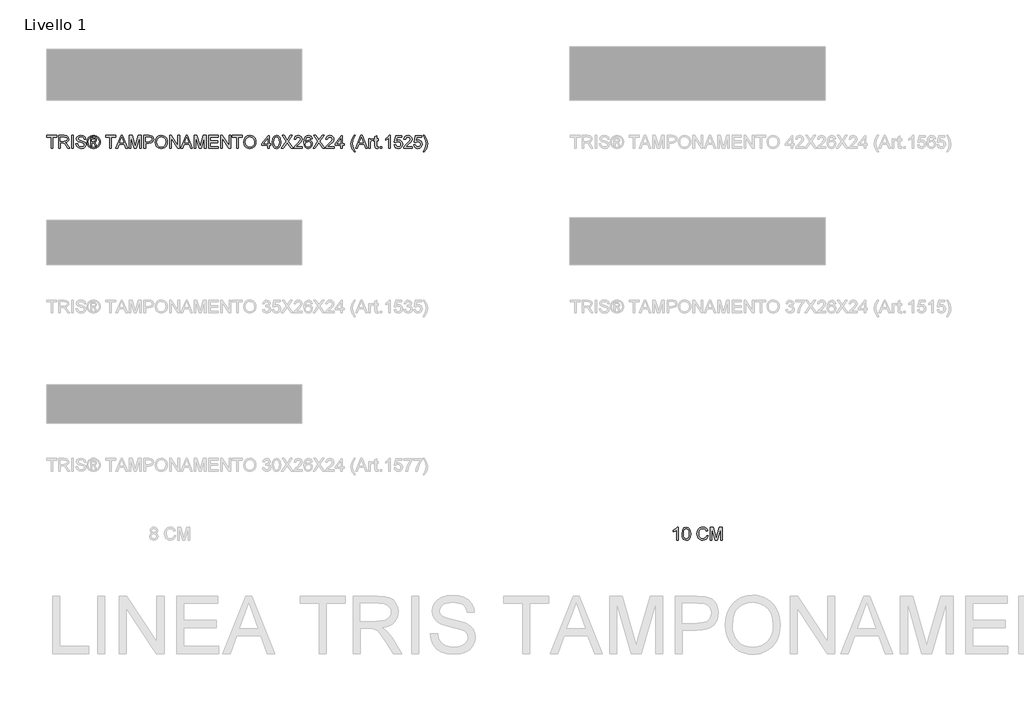
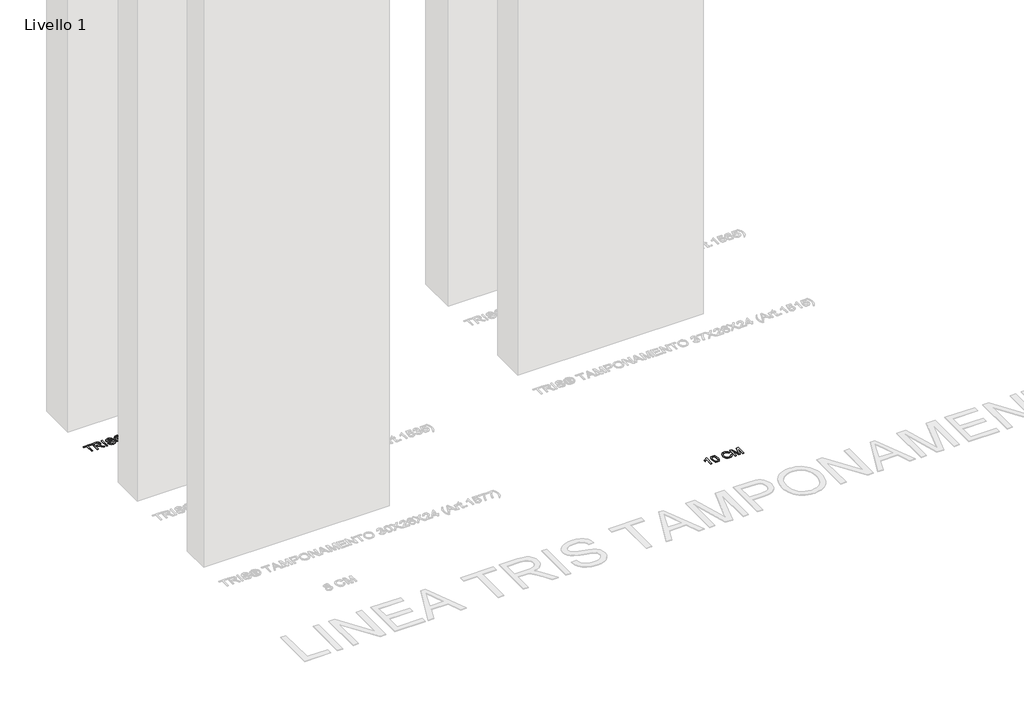
# One storey, part 10 of 16: 2 proxies.
"""IFC4 building model written with IfcOpenShell, lengths in millimetres."""

from ifc_helpers import new_model, si_unit, origin, origin_with_axes, place, context, project, spatial, polyline, outline, extrude, element, save

model = new_model("IFC4")

# Units and contexts
model_context = context("Model", 3, world=origin())
ifc_project = project(units=[si_unit("LENGTHUNIT", "METRE", prefix="MILLI")], contexts=[model_context])

# Site, building, storey
site = spatial("IfcSite", under=ifc_project)
building = spatial("IfcBuilding", under=site)
storey = spatial("IfcBuildingStorey", under=building, Name="Livello 1", Elevation=0.0)

# Proxies
placement = place(None, origin())
element("IfcBuildingElementProxy", 1, Name="100", ObjectType="100", at=placement, inside=storey, context=model_context, shape_type="SweptSolid", body=[
    extrude(outline(polyline([(-661.8210443, 4220.1409688), (-674.3780831, 4220.1409688), (-674.3780831, 4298.4262574), (-686.2729343, 4289.9527088), (-699.4921606, 4283.6128757), (-699.4921606, 4295.4832014), (-681.0857981, 4307.2308998), (-669.9144482, 4320.5972789), (-661.8210443, 4320.5972789), (-661.8210443, 4220.1409688)])), origin_with_axes(), (0.0, 0.0, 1.0), 5.0),
    extrude(outline(polyline([(-631.9980772, 4269.5597835), (-628.3069945, 4298.4630456), (-617.3441111, 4315.1281), (-599.0358505, 4320.5972789), (-584.3696216, 4317.3599174), (-574.240604, 4308.0279774), (-568.3544921, 4293.1655448), (-566.0736237, 4269.5597835), (-569.7279182, 4240.7791487), (-580.6540134, 4224.0773061), (-588.8853731, 4219.9478308), (-599.0358505, 4218.571339), (-612.0833986, 4220.9625719), (-621.991687, 4228.1362708), (-629.4964797, 4245.1262876), (-631.9980772, 4269.5597835)]), holes=[polyline([(-619.4410385, 4269.584309), (-617.9695105, 4249.8321115), (-613.5549265, 4238.4001785), (-606.9821016, 4232.9463279), (-599.0358505, 4231.1283777), (-591.0895994, 4232.9524593), (-584.5167744, 4238.424704), (-580.1021904, 4249.8627683), (-578.6306625, 4269.584309), (-580.0531395, 4288.8919823), (-584.3205707, 4300.4128201), (-590.8811329, 4306.1333852), (-599.1830033, 4308.0402402), (-607.0434152, 4306.3602457), (-613.3587228, 4301.3202624), (-617.9204595, 4289.0820547), (-619.4410385, 4269.584309)])]), origin_with_axes(), (0.0, 0.0, 1.0), 5.0),
    extrude(outline(polyline([(-440.503236, 4255.8500478), (-427.9461972, 4252.6126862), (-433.7403387, 4237.9801799), (-442.8331553, 4227.2901422), (-454.7770574, 4220.7510398), (-469.1244552, 4218.571339), (-483.6895166, 4220.2206766), (-495.2563396, 4225.1686894), (-504.1222957, 4233.2436992), (-510.5847561, 4244.2740277), (-515.8454686, 4271.1294133), (-514.3586122, 4285.7772481), (-509.898043, 4298.4262574), (-502.696753, 4308.6748366), (-492.987734, 4316.1213813), (-481.4730275, 4320.6555269), (-468.8546751, 4322.1669088), (-455.0866914, 4320.2110029), (-443.7038094, 4314.343285), (-435.0616482, 4304.925506), (-429.5158271, 4292.3194163), (-442.0728659, 4289.3273094), (-452.3735617, 4304.7660904), (-469.3451844, 4309.60987), (-488.990083, 4304.2387929), (-500.0878565, 4289.8178187), (-503.2884299, 4271.1539388), (-499.4992453, 4249.5224775), (-487.702496, 4235.7023772), (-470.375254, 4231.1283777), (-459.8936828, 4232.6857448), (-451.1595511, 4237.3578462), (-444.5652664, 4245.0956308), (-440.503236, 4255.8500478)])), origin_with_axes(), (0.0, 0.0, 1.0), 5.0),
    extrude(outline(polyline([(-410.6802689, 4220.1409688), (-410.6802689, 4320.5972789), (-389.0733331, 4320.5972789), (-368.5209923, 4249.7922576), (-364.3761885, 4235.0034014), (-359.8880281, 4251.0185309), (-339.6790439, 4320.5972789), (-318.072108, 4320.5972789), (-318.072108, 4220.1409688), (-330.6291468, 4220.1409688), (-330.6291468, 4308.0402402), (-355.8658516, 4220.1409688), (-372.8865253, 4220.1409688), (-398.1232302, 4308.0402402), (-398.1232302, 4220.1409688), (-410.6802689, 4220.1409688)])), origin_with_axes(), (0.0, 0.0, 1.0), 5.0),
])
element("IfcBuildingElementProxy", 2, Name="100", ObjectType="100", at=placement, inside=storey, context=model_context, shape_type="SweptSolid", body=[
    extrude(outline(polyline([(-5574.7353997, 7289.0708569), (-5574.7353997, 7376.9701283), (-5607.6976265, 7376.9701283), (-5607.6976265, 7389.527167), (-5529.2161342, 7389.527167), (-5529.2161342, 7376.9701283), (-5562.1783609, 7376.9701283), (-5562.1783609, 7289.0708569), (-5574.7353997, 7289.0708569)])), origin_with_axes(), (0.0, 0.0, 1.0), 5.0),
    extrude(outline(polyline([(-5515.0894655, 7289.0708569), (-5515.0894655, 7389.527167), (-5471.8020174, 7389.527167), (-5451.7033978, 7386.817103), (-5440.7159888, 7377.2276457), (-5436.6079732, 7362.0341193), (-5438.3094275, 7352.1380936), (-5443.4137901, 7343.9343251), (-5452.0743454, 7337.9194545), (-5464.4443775, 7334.5901224), (-5457.3074668, 7329.2190453), (-5447.1293983, 7316.2941245), (-5430.3785048, 7289.0708569), (-5444.9711573, 7289.0708569), (-5458.0432308, 7309.8929778), (-5467.4855354, 7323.6762899), (-5474.119674, 7330.1878012), (-5480.0916251, 7332.5790342), (-5487.3756886, 7333.0204926), (-5502.5324268, 7333.0204926), (-5502.5324268, 7289.0708569), (-5515.0894655, 7289.0708569)]), holes=[polyline([(-5502.5324268, 7345.5775314), (-5474.4262423, 7345.5775314), (-5460.0911073, 7347.3556277), (-5451.9486524, 7353.0455359), (-5449.165012, 7361.5681354), (-5454.4747755, 7372.6291207), (-5471.2624572, 7376.9701283), (-5502.5324268, 7376.9701283), (-5502.5324268, 7345.5775314)])]), origin_with_axes(), (0.0, 0.0, 1.0), 5.0),
    extrude(outline(polyline([(-5413.0635255, 7289.0708569), (-5413.0635255, 7389.527167), (-5400.5064868, 7389.527167), (-5400.5064868, 7289.0708569), (-5413.0635255, 7289.0708569)])), origin_with_axes(), (0.0, 0.0, 1.0), 5.0),
    extrude(outline(polyline([(-5380.1012988, 7323.6027135), (-5367.54426, 7323.6027135), (-5363.4975581, 7311.033412), (-5353.6137951, 7303.0871609), (-5338.5551588, 7300.0582658), (-5325.4340343, 7302.3513969), (-5316.9604857, 7308.6544418), (-5314.1768452, 7317.0789395), (-5316.2615099, 7324.914826), (-5324.7963722, 7330.6169969), (-5343.0801073, 7335.4117256), (-5362.7617941, 7341.6044058), (-5373.4426347, 7350.9486085), (-5376.9620391, 7363.4320709), (-5372.6087688, 7377.6445786), (-5359.8923145, 7387.6754943), (-5341.2774856, 7391.0967969), (-5321.4118578, 7387.5160788), (-5308.168106, 7376.9946537), (-5303.1894363, 7361.2738298), (-5315.7464751, 7361.2738298), (-5318.0518689, 7368.7663598), (-5322.8588603, 7374.1742251), (-5340.7869762, 7378.5397581), (-5358.7641431, 7374.2232761), (-5364.4050003, 7363.7999529), (-5360.4073493, 7355.0934123), (-5339.9040594, 7348.0791289), (-5317.6839869, 7341.7760841), (-5305.5316184, 7331.5980155), (-5301.6198065, 7317.3977705), (-5306.1202295, 7302.3759224), (-5319.0696758, 7291.4130389), (-5338.0646495, 7287.5012271), (-5360.4931884, 7291.7196073), (-5374.6811707, 7304.4237988), (-5380.1012988, 7323.6027135)])), origin_with_axes(), (0.0, 0.0, 1.0), 5.0),
    extrude(outline(polyline([(-5265.51832, 7307.9064151), (-5265.51832, 7370.6916089), (-5245.2357593, 7370.6916089), (-5230.177123, 7368.9625635), (-5222.7581694, 7362.9292988), (-5219.9990545, 7353.7690371), (-5224.7569949, 7341.8496605), (-5237.3630846, 7336.1597523), (-5232.4579914, 7332.8242889), (-5223.8986036, 7320.2917756), (-5216.8597948, 7307.9064151), (-5227.4547962, 7307.9064151), (-5232.9730262, 7317.8637544), (-5242.219127, 7332.2847286), (-5250.2389545, 7334.5901224), (-5256.1005409, 7334.5901224), (-5256.1005409, 7307.9064151), (-5265.51832, 7307.9064151)]), holes=[polyline([(-5256.1005409, 7344.0079015), (-5244.1811643, 7344.0079015), (-5232.5315678, 7346.3991345), (-5229.4168336, 7352.7389675), (-5230.912887, 7357.3007043), (-5235.0699535, 7360.2928112), (-5244.9414537, 7361.2738298), (-5256.1005409, 7361.2738298), (-5256.1005409, 7344.0079015)])]), origin_with_axes(), (0.0, 0.0, 1.0), 5.0),
    extrude(outline(polyline([(-5241.9493469, 7391.0967969), (-5229.0550829, 7389.4229338), (-5216.4673873, 7384.4013446), (-5205.4094677, 7376.2650211), (-5197.1045316, 7365.2469554), (-5191.9081985, 7352.5243697), (-5190.1760874, 7339.2744865), (-5191.883673, 7326.1410993), (-5197.0064298, 7313.5227468), (-5205.2101983, 7302.544535), (-5216.160819, 7294.3315694), (-5228.7699744, 7289.2088126), (-5241.9493469, 7287.5012271), (-5255.1103252, 7289.2088126), (-5267.7133492, 7294.3315694), (-5278.673167, 7302.544535), (-5286.9045267, 7313.5227468), (-5292.0548746, 7326.1410993), (-5293.7716572, 7339.2744865), (-5292.0303491, 7352.5243697), (-5286.8064248, 7365.2469554), (-5278.4738976, 7376.2650211), (-5267.4067809, 7384.4013446), (-5254.8252167, 7389.4229338), (-5241.9493469, 7391.0967969)]), holes=[polyline([(-5241.9493469, 7381.6790178), (-5262.7714678, 7376.1975761), (-5271.7999051, 7369.5358463), (-5278.6271818, 7360.5135404), (-5284.3538782, 7339.2744865), (-5278.7375464, 7318.2193737), (-5263.0167224, 7302.5353379), (-5241.9493469, 7296.9190061), (-5220.8697085, 7302.5353379), (-5205.1856728, 7318.2193737), (-5199.5938665, 7339.2744865), (-5205.2837747, 7360.5135404), (-5212.0926573, 7369.5358463), (-5221.1394887, 7376.1975761), (-5241.9493469, 7381.6790178)])]), origin_with_axes(), (0.0, 0.0, 1.0), 5.0),
    extrude(outline(polyline([(-5114.8338548, 7289.0708569), (-5114.8338548, 7376.9701283), (-5147.7960816, 7376.9701283), (-5147.7960816, 7389.527167), (-5069.3145893, 7389.527167), (-5069.3145893, 7376.9701283), (-5102.276816, 7376.9701283), (-5102.276816, 7289.0708569), (-5114.8338548, 7289.0708569)])), origin_with_axes(), (0.0, 0.0, 1.0), 5.0),
    extrude(outline(polyline([(-5066.8865681, 7289.0708569), (-5026.7874306, 7389.527167), (-5016.0943273, 7389.527167), (-4975.9951898, 7289.0708569), (-4989.2634671, 7289.0708569), (-5000.7659108, 7320.4634538), (-5042.1403725, 7320.4634538), (-5053.6182908, 7289.0708569), (-5066.8865681, 7289.0708569)]), holes=[polyline([(-5037.5295849, 7333.0204926), (-5005.352173, 7333.0204926), (-5014.4020701, 7357.7176372), (-5021.4408789, 7376.9701283), (-5027.6948729, 7359.8758782), (-5037.5295849, 7333.0204926)])]), origin_with_axes(), (0.0, 0.0, 1.0), 5.0),
    extrude(outline(polyline([(-4962.5797597, 7289.0708569), (-4962.5797597, 7389.527167), (-4940.9728239, 7389.527167), (-4920.4204831, 7318.7221457), (-4916.2756793, 7303.9332895), (-4911.7875189, 7319.948419), (-4891.5785346, 7389.527167), (-4869.9715988, 7389.527167), (-4869.9715988, 7289.0708569), (-4882.5286376, 7289.0708569), (-4882.5286376, 7376.9701283), (-4907.7653424, 7289.0708569), (-4924.7860161, 7289.0708569), (-4950.0227209, 7376.9701283), (-4950.0227209, 7289.0708569), (-4962.5797597, 7289.0708569)])), origin_with_axes(), (0.0, 0.0, 1.0), 5.0),
    extrude(outline(polyline([(-4847.996781, 7289.0708569), (-4847.996781, 7389.527167), (-4810.767123, 7389.527167), (-4795.7575376, 7388.5706739), (-4783.5561181, 7383.8740471), (-4775.6466552, 7374.1619624), (-4772.6545483, 7360.4644894), (-4774.6748336, 7348.6248206), (-4780.7356895, 7338.7594517), (-4792.0695206, 7332.1007876), (-4809.9087317, 7329.8812329), (-4835.4397422, 7329.8812329), (-4835.4397422, 7289.0708569), (-4847.996781, 7289.0708569)]), holes=[polyline([(-4835.4397422, 7342.4382717), (-4809.1729677, 7342.4382717), (-4790.6807661, 7347.0490593), (-4786.5788819, 7352.5979461), (-4785.2115871, 7360.023031), (-4788.4366859, 7370.4218288), (-4796.9102346, 7376.111737), (-4809.4672733, 7376.9701283), (-4835.4397422, 7376.9701283), (-4835.4397422, 7342.4382717)])]), origin_with_axes(), (0.0, 0.0, 1.0), 5.0),
    extrude(outline(polyline([(-4760.0975096, 7337.9746368), (-4756.7497834, 7360.1885779), (-4746.7066049, 7376.9946537), (-4731.3720571, 7387.5712611), (-4712.1502229, 7391.0967969), (-4698.9739161, 7389.4413279), (-4687.1587727, 7384.474921), (-4677.3485861, 7376.547064), (-4670.18715, 7366.0072448), (-4665.8093542, 7353.3643669), (-4664.350089, 7339.1273337), (-4665.8859963, 7324.7002281), (-4670.4937183, 7311.8795406), (-4677.9188032, 7301.3213273), (-4687.9067994, 7293.6816446), (-4699.6207752, 7289.0463314), (-4712.2237993, 7287.5012271), (-4725.6024412, 7289.2088126), (-4737.4850296, 7294.3315694), (-4747.2706907, 7302.4065792), (-4754.3585504, 7312.9709239), (-4760.0975096, 7337.9746368)]), holes=[polyline([(-4747.5404708, 7337.8520095), (-4745.0296762, 7322.1373169), (-4737.4972923, 7310.162758), (-4726.1757239, 7302.5843889), (-4712.2973757, 7300.0582658), (-4698.2166923, 7302.6089143), (-4686.8767298, 7310.2608598), (-4679.3995282, 7322.6033008), (-4676.9071277, 7339.2254356), (-4681.1745589, 7359.9494546), (-4693.6457585, 7373.6714531), (-4712.0766465, 7378.5397581), (-4725.5840471, 7376.1945104), (-4737.0680967, 7369.1587672), (-4744.9223773, 7356.6415824), (-4747.5404708, 7337.8520095)])]), origin_with_axes(), (0.0, 0.0, 1.0), 5.0),
    extrude(outline(polyline([(-4647.0841607, 7289.0708569), (-4647.0841607, 7389.527167), (-4633.6442051, 7389.527167), (-4581.1597071, 7309.9420288), (-4581.1597071, 7389.527167), (-4568.6026683, 7389.527167), (-4568.6026683, 7289.0708569), (-4582.0426239, 7289.0708569), (-4634.5271219, 7368.6805207), (-4634.5271219, 7289.0708569), (-4647.0841607, 7289.0708569)])), origin_with_axes(), (0.0, 0.0, 1.0), 5.0),
    extrude(outline(polyline([(-4558.326498, 7289.0708569), (-4518.2273605, 7389.527167), (-4507.5342571, 7389.527167), (-4467.4351197, 7289.0708569), (-4480.703397, 7289.0708569), (-4492.2058407, 7320.4634538), (-4533.5803024, 7320.4634538), (-4545.0582207, 7289.0708569), (-4558.326498, 7289.0708569)]), holes=[polyline([(-4528.9695147, 7333.0204926), (-4496.7921029, 7333.0204926), (-4505.842, 7357.7176372), (-4512.8808088, 7376.9701283), (-4519.1348027, 7359.8758782), (-4528.9695147, 7333.0204926)])]), origin_with_axes(), (0.0, 0.0, 1.0), 5.0),
    extrude(outline(polyline([(-4454.0196896, 7289.0708569), (-4454.0196896, 7389.527167), (-4432.4127537, 7389.527167), (-4411.8604129, 7318.7221457), (-4407.7156091, 7303.9332895), (-4403.2274488, 7319.948419), (-4383.0184645, 7389.527167), (-4361.4115287, 7389.527167), (-4361.4115287, 7289.0708569), (-4373.9685674, 7289.0708569), (-4373.9685674, 7376.9701283), (-4399.2052723, 7289.0708569), (-4416.2259459, 7289.0708569), (-4441.4626508, 7376.9701283), (-4441.4626508, 7289.0708569), (-4454.0196896, 7289.0708569)])), origin_with_axes(), (0.0, 0.0, 1.0), 5.0),
    extrude(outline(polyline([(-4339.4367108, 7289.0708569), (-4339.4367108, 7389.527167), (-4267.2337379, 7389.527167), (-4267.2337379, 7376.9701283), (-4326.8796721, 7376.9701283), (-4326.8796721, 7347.1471612), (-4270.3729976, 7347.1471612), (-4270.3729976, 7334.5901224), (-4326.8796721, 7334.5901224), (-4326.8796721, 7301.6278957), (-4265.6641081, 7301.6278957), (-4265.6641081, 7289.0708569), (-4339.4367108, 7289.0708569)])), origin_with_axes(), (0.0, 0.0, 1.0), 5.0),
    extrude(outline(polyline([(-4246.8285499, 7289.0708569), (-4246.8285499, 7389.527167), (-4233.3885943, 7389.527167), (-4180.9040964, 7309.9420288), (-4180.9040964, 7389.527167), (-4168.3470576, 7389.527167), (-4168.3470576, 7289.0708569), (-4181.7870132, 7289.0708569), (-4234.2715111, 7368.6805207), (-4234.2715111, 7289.0708569), (-4246.8285499, 7289.0708569)])), origin_with_axes(), (0.0, 0.0, 1.0), 5.0),
    extrude(outline(polyline([(-4121.2581622, 7289.0708569), (-4121.2581622, 7376.9701283), (-4154.220389, 7376.9701283), (-4154.220389, 7389.527167), (-4075.7388967, 7389.527167), (-4075.7388967, 7376.9701283), (-4108.7011234, 7376.9701283), (-4108.7011234, 7289.0708569), (-4121.2581622, 7289.0708569)])), origin_with_axes(), (0.0, 0.0, 1.0), 5.0),
    extrude(outline(polyline([(-4066.3211176, 7337.9746368), (-4062.9733914, 7360.1885779), (-4052.930213, 7376.9946537), (-4037.5956651, 7387.5712611), (-4018.3738309, 7391.0967969), (-4005.1975241, 7389.4413279), (-3993.3823807, 7384.474921), (-3983.5721942, 7376.547064), (-3976.410758, 7366.0072448), (-3972.0329622, 7353.3643669), (-3970.573697, 7339.1273337), (-3972.1096043, 7324.7002281), (-3976.7173263, 7311.8795406), (-3984.1424112, 7301.3213273), (-3994.1304074, 7293.6816446), (-4005.8443833, 7289.0463314), (-4018.4474073, 7287.5012271), (-4031.8260492, 7289.2088126), (-4043.7086376, 7294.3315694), (-4053.4942987, 7302.4065792), (-4060.5821585, 7312.9709239), (-4066.3211176, 7337.9746368)]), holes=[polyline([(-4053.7640788, 7337.8520095), (-4051.2532842, 7322.1373169), (-4043.7209004, 7310.162758), (-4032.399332, 7302.5843889), (-4018.5209837, 7300.0582658), (-4004.4403003, 7302.6089143), (-3993.1003378, 7310.2608598), (-3985.6231363, 7322.6033008), (-3983.1307358, 7339.2254356), (-3987.3981669, 7359.9494546), (-3999.8693665, 7373.6714531), (-4018.3002545, 7378.5397581), (-4031.8076551, 7376.1945104), (-4043.2917047, 7369.1587672), (-4051.1459853, 7356.6415824), (-4053.7640788, 7337.8520095)])]), origin_with_axes(), (0.0, 0.0, 1.0), 5.0),
    extrude(outline(polyline([(-3877.9655361, 7289.0708569), (-3877.9655361, 7312.6153046), (-3923.4848016, 7312.6153046), (-3923.4848016, 7325.1723434), (-3874.8262764, 7387.9575372), (-3865.4084973, 7387.9575372), (-3865.4084973, 7325.1723434), (-3852.8514585, 7325.1723434), (-3852.8514585, 7312.6153046), (-3865.4084973, 7312.6153046), (-3865.4084973, 7289.0708569), (-3877.9655361, 7289.0708569)]), holes=[polyline([(-3877.9655361, 7325.1723434), (-3877.9655361, 7363.9716311), (-3908.0337578, 7325.1723434), (-3877.9655361, 7325.1723434)])]), origin_with_axes(), (0.0, 0.0, 1.0), 5.0),
    extrude(outline(polyline([(-3841.8640496, 7338.4896716), (-3838.1729669, 7367.3929337), (-3827.2100835, 7384.0579881), (-3808.9018228, 7389.527167), (-3794.235594, 7386.2898055), (-3784.1065764, 7376.9578655), (-3778.2204644, 7362.0954329), (-3775.9395961, 7338.4896716), (-3779.5938906, 7309.7090368), (-3790.5199858, 7293.0071942), (-3798.7513455, 7288.8777189), (-3808.9018228, 7287.5012271), (-3821.9493709, 7289.89246), (-3831.8576593, 7297.0661589), (-3839.362452, 7314.0561757), (-3841.8640496, 7338.4896716)]), holes=[polyline([(-3829.3070108, 7338.5141971), (-3827.8354829, 7318.7619996), (-3823.4208989, 7307.3300666), (-3816.8480739, 7301.876216), (-3808.9018228, 7300.0582658), (-3800.9555717, 7301.8823474), (-3794.3827468, 7307.3545921), (-3789.9681628, 7318.7926564), (-3788.4966348, 7338.5141971), (-3789.9191119, 7357.8218704), (-3794.186543, 7369.3427082), (-3800.7471053, 7375.0632733), (-3809.0489756, 7376.9701283), (-3816.9093876, 7375.2901338), (-3823.2246952, 7370.2501505), (-3827.7864319, 7358.0119428), (-3829.3070108, 7338.5141971)])]), origin_with_axes(), (0.0, 0.0, 1.0), 5.0),
    extrude(outline(polyline([(-3771.2307065, 7289.0708569), (-3732.5049952, 7343.8116978), (-3764.9521872, 7389.527167), (-3749.8935508, 7389.527167), (-3731.6220784, 7363.7999529), (-3725.4661863, 7353.7690371), (-3718.2556992, 7363.9716311), (-3700.1804305, 7389.527167), (-3684.901065, 7389.527167), (-3717.348257, 7343.664545), (-3678.6225456, 7289.0708569), (-3693.681182, 7289.0708569), (-3719.4819725, 7325.466649), (-3724.8530497, 7333.0204926), (-3730.7636871, 7324.730885), (-3755.951341, 7289.0708569), (-3771.2307065, 7289.0708569)])), origin_with_axes(), (0.0, 0.0, 1.0), 5.0),
    extrude(outline(polyline([(-3606.4195727, 7301.6278957), (-3606.4195727, 7289.0708569), (-3672.3440262, 7289.0708569), (-3670.9951256, 7297.7283465), (-3663.3677056, 7311.0579375), (-3647.6468816, 7325.6138018), (-3625.9663694, 7346.5340245), (-3620.5462413, 7360.758795), (-3625.659801, 7372.2735015), (-3639.0139175, 7376.9701283), (-3652.9321196, 7372.3838661), (-3658.2173576, 7359.7042), (-3670.7743964, 7361.2738298), (-3667.7301729, 7373.420067), (-3661.1481508, 7382.2921545), (-3651.3716868, 7387.7184139), (-3638.7441373, 7389.527167), (-3626.0246174, 7387.5160788), (-3616.2665474, 7381.4828141), (-3610.0585388, 7372.4697052), (-3607.9892025, 7361.5190845), (-3610.22102, 7349.6119706), (-3617.6399736, 7337.3001865), (-3635.6294031, 7320.0955718), (-3650.0749028, 7308.0167797), (-3655.7402855, 7301.6278957), (-3606.4195727, 7301.6278957)])), origin_with_axes(), (0.0, 0.0, 1.0), 5.0),
    extrude(outline(polyline([(-3529.5077102, 7362.8434597), (-3542.064749, 7361.2738298), (-3546.8226895, 7371.7462039), (-3559.4042537, 7376.9701283), (-3570.7350192, 7373.9289705), (-3579.3066697, 7362.5123659), (-3582.875125, 7340.1328778), (-3571.801877, 7350.1515308), (-3558.0798785, 7353.4256806), (-3546.4793329, 7351.1877318), (-3536.7427228, 7344.4738854), (-3530.139241, 7334.2161091), (-3527.9380804, 7321.3463706), (-3532.0828842, 7304.0191286), (-3543.4872261, 7291.7563955), (-3559.943814, 7287.5012271), (-3574.1900442, 7290.3216557), (-3585.5361381, 7298.7829416), (-3592.9581574, 7313.7189506), (-3595.4321638, 7335.9635486), (-3592.6853115, 7360.9733929), (-3584.4447549, 7378.0737743), (-3573.1936972, 7386.6638189), (-3558.6194388, 7389.527167), (-3547.601373, 7387.7552021), (-3538.7783365, 7382.4393073), (-3532.597919, 7373.9964155), (-3529.5077102, 7362.8434597)]), holes=[polyline([(-3582.875125, 7321.5425743), (-3579.9688572, 7310.66553), (-3572.2433353, 7302.7683299), (-3560.9248326, 7300.0582658), (-3552.6382907, 7301.4623488), (-3546.1237137, 7305.6745976), (-3541.9022678, 7312.2964735), (-3540.4951192, 7320.9294377), (-3541.8838737, 7329.2159796), (-3546.0501373, 7335.5343529), (-3552.6750789, 7339.5350696), (-3561.4398674, 7340.8686418), (-3576.6333938, 7335.5343529), (-3581.3146922, 7329.3692638), (-3582.875125, 7321.5425743)])]), origin_with_axes(), (0.0, 0.0, 1.0), 5.0),
    extrude(outline(polyline([(-3523.2291909, 7289.0708569), (-3484.5034795, 7343.8116978), (-3516.9506715, 7389.527167), (-3501.8920351, 7389.527167), (-3483.6205627, 7363.7999529), (-3477.4646707, 7353.7690371), (-3470.2541835, 7363.9716311), (-3452.1789149, 7389.527167), (-3436.8995493, 7389.527167), (-3469.3467413, 7343.664545), (-3430.6210299, 7289.0708569), (-3445.6796663, 7289.0708569), (-3471.4804569, 7325.466649), (-3476.851534, 7333.0204926), (-3482.7621714, 7324.730885), (-3507.9498253, 7289.0708569), (-3523.2291909, 7289.0708569)])), origin_with_axes(), (0.0, 0.0, 1.0), 5.0),
    extrude(outline(polyline([(-3358.418057, 7301.6278957), (-3358.418057, 7289.0708569), (-3424.3425106, 7289.0708569), (-3422.9936099, 7297.7283465), (-3415.3661899, 7311.0579375), (-3399.6453659, 7325.6138018), (-3377.9648537, 7346.5340245), (-3372.5447256, 7360.758795), (-3377.6582854, 7372.2735015), (-3391.0124018, 7376.9701283), (-3404.9306039, 7372.3838661), (-3410.2158419, 7359.7042), (-3422.7728807, 7361.2738298), (-3419.7286572, 7373.420067), (-3413.1466352, 7382.2921545), (-3403.3701711, 7387.7184139), (-3390.7426217, 7389.527167), (-3378.0231017, 7387.5160788), (-3368.2650318, 7381.4828141), (-3362.0570231, 7372.4697052), (-3359.9876869, 7361.5190845), (-3362.2195043, 7349.6119706), (-3369.6384579, 7337.3001865), (-3387.6278874, 7320.0955718), (-3402.0733871, 7308.0167797), (-3407.7387698, 7301.6278957), (-3358.418057, 7301.6278957)])), origin_with_axes(), (0.0, 0.0, 1.0), 5.0),
    extrude(outline(polyline([(-3305.0506422, 7289.0708569), (-3305.0506422, 7312.6153046), (-3350.5699078, 7312.6153046), (-3350.5699078, 7325.1723434), (-3301.9113826, 7387.9575372), (-3292.4936035, 7387.9575372), (-3292.4936035, 7325.1723434), (-3279.9365647, 7325.1723434), (-3279.9365647, 7312.6153046), (-3292.4936035, 7312.6153046), (-3292.4936035, 7289.0708569), (-3305.0506422, 7289.0708569)]), holes=[polyline([(-3305.0506422, 7325.1723434), (-3305.0506422, 7363.9716311), (-3335.118864, 7325.1723434), (-3305.0506422, 7325.1723434)])]), origin_with_axes(), (0.0, 0.0, 1.0), 5.0),
    extrude(outline(polyline([(-3201.4550724, 7260.8175197), (-3219.2850864, 7290.2726048), (-3224.7481341, 7307.4526939), (-3226.5691499, 7325.2459198), (-3221.1244964, 7355.7801254), (-3201.4550724, 7389.527167), (-3192.0372933, 7389.527167), (-3203.7849917, 7369.6370138), (-3210.848326, 7350.3599973), (-3214.0121112, 7325.1723434), (-3208.5184067, 7292.9826688), (-3192.0372933, 7260.8175197), (-3201.4550724, 7260.8175197)])), origin_with_axes(), (0.0, 0.0, 1.0), 5.0),
    extrude(outline(polyline([(-3189.6092722, 7289.0708569), (-3149.5101347, 7389.527167), (-3138.8170314, 7389.527167), (-3098.7178939, 7289.0708569), (-3111.9861712, 7289.0708569), (-3123.4886149, 7320.4634538), (-3164.8630766, 7320.4634538), (-3176.3409949, 7289.0708569), (-3189.6092722, 7289.0708569)]), holes=[polyline([(-3160.2522889, 7333.0204926), (-3128.0748771, 7333.0204926), (-3137.1247742, 7357.7176372), (-3144.163583, 7376.9701283), (-3150.4175769, 7359.8758782), (-3160.2522889, 7333.0204926)])]), origin_with_axes(), (0.0, 0.0, 1.0), 5.0),
    extrude(outline(polyline([(-3086.8720936, 7289.0708569), (-3086.8720936, 7362.8434597), (-3075.8846847, 7362.8434597), (-3075.8846847, 7351.9296271), (-3068.0855864, 7361.9850683), (-3060.2374372, 7364.4130895), (-3047.6313475, 7360.5380658), (-3051.8252022, 7349.2808768), (-3060.6543701, 7351.8560507), (-3067.7544926, 7349.3789786), (-3072.2794412, 7342.5118481), (-3074.3150549, 7327.8456192), (-3074.3150549, 7289.0708569), (-3086.8720936, 7289.0708569)])), origin_with_axes(), (0.0, 0.0, 1.0), 5.0),
    extrude(outline(polyline([(-3013.0994909, 7299.543231), (-3011.529861, 7288.7029749), (-3020.9231146, 7287.5012271), (-3031.4445397, 7289.5858917), (-3036.6929895, 7295.0550707), (-3038.2135684, 7309.3043666), (-3038.2135684, 7350.2864209), (-3047.6313475, 7350.2864209), (-3047.6313475, 7362.8434597), (-3038.2135684, 7362.8434597), (-3038.2135684, 7380.7715756), (-3025.6565296, 7388.1537409), (-3025.6565296, 7362.8434597), (-3013.0994909, 7362.8434597), (-3013.0994909, 7350.2864209), (-3025.6565296, 7350.2864209), (-3025.6565296, 7309.6722486), (-3024.9943421, 7303.1975255), (-3022.8483637, 7300.9043944), (-3018.5686699, 7300.0582658), (-3013.0994909, 7299.543231)])), origin_with_axes(), (0.0, 0.0, 1.0), 5.0),
    extrude(outline(polyline([(-2997.4031924, 7289.0708569), (-2997.4031924, 7301.6278957), (-2984.8461536, 7301.6278957), (-2984.8461536, 7289.0708569), (-2997.4031924, 7289.0708569)])), origin_with_axes(), (0.0, 0.0, 1.0), 5.0),
    extrude(outline(polyline([(-2917.3520703, 7289.0708569), (-2929.909109, 7289.0708569), (-2929.909109, 7367.3561455), (-2941.8039602, 7358.8825969), (-2955.0231866, 7352.5427638), (-2955.0231866, 7364.4130895), (-2936.6168241, 7376.1607879), (-2925.4454742, 7389.527167), (-2917.3520703, 7389.527167), (-2917.3520703, 7289.0708569)])), origin_with_axes(), (0.0, 0.0, 1.0), 5.0),
    extrude(outline(polyline([(-2887.5291032, 7315.7545643), (-2874.9720644, 7317.3241941), (-2868.6444941, 7304.3870106), (-2855.5233696, 7300.0582658), (-2846.5225235, 7301.5635163), (-2839.7780202, 7306.0792678), (-2835.5657714, 7313.0843541), (-2834.1616884, 7322.0576091), (-2839.422401, 7336.9690927), (-2846.0289485, 7341.0709769), (-2855.3271659, 7342.4382717), (-2866.351363, 7340.2555052), (-2873.4024346, 7334.5901224), (-2885.9594733, 7336.1597523), (-2874.9720644, 7387.9575372), (-2826.3135392, 7387.9575372), (-2826.3135392, 7375.4004984), (-2864.8185214, 7375.4004984), (-2870.1895985, 7347.7357724), (-2861.2194092, 7353.1804259), (-2851.8200242, 7354.9953104), (-2840.0876542, 7352.7450989), (-2830.3479784, 7345.9944643), (-2823.7904818, 7335.7060312), (-2821.6046497, 7322.8424241), (-2823.5728183, 7310.2853853), (-2829.4773244, 7299.543231), (-2840.7835643, 7290.511728), (-2855.5724205, 7287.5012271), (-2867.9056644, 7289.4356732), (-2877.7311794, 7295.2390117), (-2884.4664856, 7304.2367922), (-2887.5291032, 7315.7545643)])), origin_with_axes(), (0.0, 0.0, 1.0), 5.0),
    extrude(outline(polyline([(-2746.262417, 7301.6278957), (-2746.262417, 7289.0708569), (-2812.1868706, 7289.0708569), (-2810.8379699, 7297.7283465), (-2803.2105499, 7311.0579375), (-2787.489726, 7325.6138018), (-2765.8092137, 7346.5340245), (-2760.3890857, 7360.758795), (-2765.5026454, 7372.2735015), (-2778.8567618, 7376.9701283), (-2792.774964, 7372.3838661), (-2798.060202, 7359.7042), (-2810.6172407, 7361.2738298), (-2807.5730172, 7373.420067), (-2800.9909952, 7382.2921545), (-2791.2145312, 7387.7184139), (-2778.5869817, 7389.527167), (-2765.8674617, 7387.5160788), (-2756.1093918, 7381.4828141), (-2749.9013831, 7372.4697052), (-2747.8320469, 7361.5190845), (-2750.0638643, 7349.6119706), (-2757.4828179, 7337.3001865), (-2775.4722475, 7320.0955718), (-2789.9177471, 7308.0167797), (-2795.5831299, 7301.6278957), (-2746.262417, 7301.6278957)])), origin_with_axes(), (0.0, 0.0, 1.0), 5.0),
    extrude(outline(polyline([(-2733.7053783, 7315.7545643), (-2721.1483395, 7317.3241941), (-2714.8207692, 7304.3870106), (-2701.6996447, 7300.0582658), (-2692.6987985, 7301.5635163), (-2685.9542953, 7306.0792678), (-2681.7420465, 7313.0843541), (-2680.3379635, 7322.0576091), (-2685.598676, 7336.9690927), (-2692.2052235, 7341.0709769), (-2701.503441, 7342.4382717), (-2712.5276381, 7340.2555052), (-2719.5787097, 7334.5901224), (-2732.1357484, 7336.1597523), (-2721.1483395, 7387.9575372), (-2672.4898143, 7387.9575372), (-2672.4898143, 7375.4004984), (-2710.9947964, 7375.4004984), (-2716.3658736, 7347.7357724), (-2707.3956843, 7353.1804259), (-2697.9962993, 7354.9953104), (-2686.2639293, 7352.7450989), (-2676.5242535, 7345.9944643), (-2669.9667569, 7335.7060312), (-2667.7809247, 7322.8424241), (-2669.7490934, 7310.2853853), (-2675.6535994, 7299.543231), (-2686.9598394, 7290.511728), (-2701.7486956, 7287.5012271), (-2714.0819395, 7289.4356732), (-2723.9074545, 7295.2390117), (-2730.6427607, 7304.2367922), (-2733.7053783, 7315.7545643)])), origin_with_axes(), (0.0, 0.0, 1.0), 5.0),
    extrude(outline(polyline([(-2650.5149964, 7260.8175197), (-2659.9327755, 7260.8175197), (-2643.4516621, 7292.9826688), (-2637.9579577, 7325.1723434), (-2641.1217428, 7350.1392681), (-2648.1115007, 7369.4408101), (-2659.9327755, 7389.527167), (-2650.5149964, 7389.527167), (-2630.8455724, 7355.7801254), (-2625.4009189, 7325.2459198), (-2627.2311318, 7307.4526939), (-2632.7217706, 7290.2726048), (-2650.5149964, 7260.8175197)])), origin_with_axes(), (0.0, 0.0, 1.0), 5.0),
])

save(model, "model.ifc")
